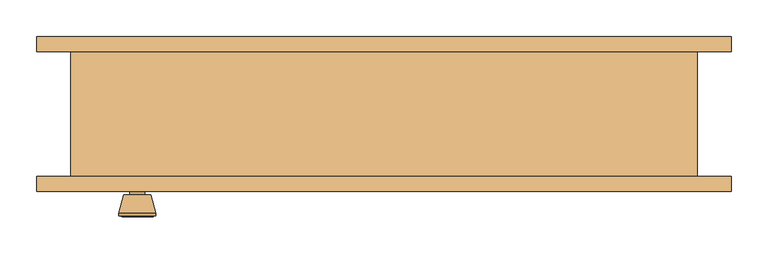
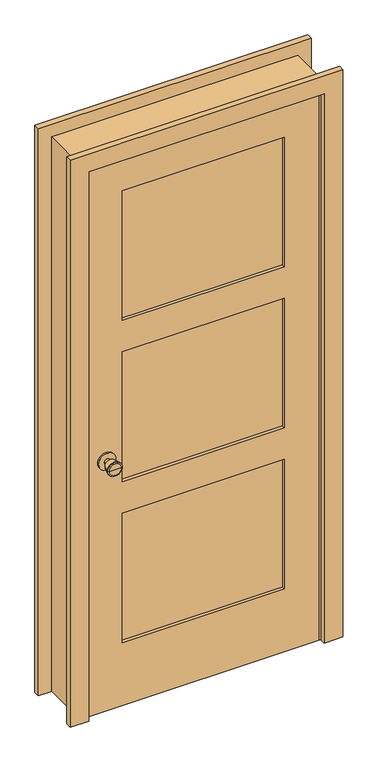
"""IFC4 building model written with IfcOpenShell, lengths in millimetres: door geometry."""

from ifc_helpers import new_model, si_unit, point, frame, frame_2d, origin, place, context, project, spatial, polyline, circle_curve, trimmed, segment, composite_curve, outline, extrude, faceted_brep, source, transform, mapped, element, save
from ifc_brep_helpers import plane_surface, cylinder_surface, revolved_surface, advanced_brep


def door_1098f3ea(model_context):
    return source(origin(), model_context, "Body", "SolidModel", [
        advanced_brep(
        [(-335.0, -40.825, 914.4), (-345.0, -40.825, 914.4), (-325.0, -40.825, 914.4), (-314.5241324, 8.175, 914.4), (-355.4758676, 8.175, 914.4), (-335.0, 8.175, 914.4), (-310.0, 6.3471319, 914.4), (-360.0, 6.3471319, 914.4), (-310.0, 2.8834537, 914.4), (-360.0, 2.8834537, 914.4), (-316.363764, -21.825, 914.4), (-353.636236, -21.825, 914.4), (-325.0, -21.825, 914.4), (-345.0, -21.825, 914.4)],
        [
            (0, 1),
            (1, 2, circle_curve(frame((-335.0, -40.825, 914.4), z_axis=(0.0, -1.0, 0.0), x_axis=(-1.0, 0.0, 0.0)), 10.0)),
            (2, 0),
            (2, 1, circle_curve(frame((-335.0, -40.825, 914.4), z_axis=(0.0, -1.0, 0.0), x_axis=(-1.0, 0.0, 0.0)), 10.0)),
            (3, 4, circle_curve(frame((-335.0, 8.175, 914.4), z_axis=(0.0, 1.0, 0.0), x_axis=(-1.0, 0.0, 0.0)), 20.4758676)),
            (4, 5),
            (5, 3),
            (4, 3, circle_curve(frame((-335.0, 8.175, 914.4), z_axis=(0.0, 1.0, 0.0), x_axis=(-1.0, 0.0, 0.0)), 20.4758676)),
            (6, 7, circle_curve(frame((-335.0, 6.3471319, 914.4), z_axis=(0.0, 1.0, 0.0), x_axis=(-1.0, 0.0, 0.0)), 25.0)),
            (7, 4),
            (3, 6),
            (7, 6, circle_curve(frame((-335.0, 6.3471319, 914.4), z_axis=(0.0, 1.0, 0.0), x_axis=(-1.0, 0.0, 0.0)), 25.0)),
            (8, 9, circle_curve(frame((-335.0, 2.8834537, 914.4), z_axis=(0.0, 1.0, 0.0), x_axis=(-1.0, 0.0, 0.0)), 25.0)),
            (9, 7),
            (6, 8),
            (9, 8, circle_curve(frame((-335.0, 2.8834537, 914.4), z_axis=(0.0, 1.0, 0.0), x_axis=(-1.0, 0.0, 0.0)), 25.0)),
            (10, 11, circle_curve(frame((-335.0, -21.825, 914.4), z_axis=(0.0, 1.0, 0.0), x_axis=(-1.0, 0.0, 0.0)), 18.636236)),
            (11, 9),
            (8, 10),
            (11, 10, circle_curve(frame((-335.0, -21.825, 914.4), z_axis=(0.0, 1.0, 0.0), x_axis=(-1.0, 0.0, 0.0)), 18.636236)),
            (12, 13, circle_curve(frame((-335.0, -21.825, 914.4), z_axis=(0.0, 1.0, 0.0), x_axis=(-1.0, 0.0, 0.0)), 10.0)),
            (13, 11),
            (10, 12),
            (13, 12, circle_curve(frame((-335.0, -21.825, 914.4), z_axis=(0.0, 1.0, 0.0), x_axis=(-1.0, 0.0, 0.0)), 10.0)),
            (1, 13),
            (12, 2),
        ],
        [
            plane_surface(frame((-335.0, -40.825, 914.4), z_axis=(0.0, -1.0, 0.0), x_axis=(-1.0, 0.0, 0.0))),
            plane_surface(frame((-335.0, 8.175, 914.4), z_axis=(0.0, 1.0, 0.0), x_axis=(-1.0, 0.0, 0.0))),
            revolved_surface(polyline([(-355.4758676, 8.175, 914.4), (-360.0, 6.3471319, 914.4)]), (-335.0, -40.825, 914.4), (0.0, -1.0, 0.0)),
            cylinder_surface(frame((-335.0, -40.825, 914.4), z_axis=(0.0, -1.0, 0.0), x_axis=(-1.0, 0.0, 0.0)), 25.0),
            revolved_surface(polyline([(-360.0, 2.8834537, 914.4), (-353.636236, -21.825, 914.4)]), (-335.0, -40.825, 914.4), (0.0, -1.0, 0.0)),
            plane_surface(frame((-335.0, -21.825, 914.4), z_axis=(0.0, -1.0, 0.0), x_axis=(-1.0, 0.0, 0.0))),
            cylinder_surface(frame((-335.0, -40.825, 914.4), z_axis=(0.0, -1.0, 0.0), x_axis=(-1.0, 0.0, 0.0)), 10.0),
        ],
        [
            (0, [[1, 2, 3]]),
            (0, [[-3, 4, -1]]),
            (1, [[5, 6, 7]]),
            (1, [[8, -7, -6]]),
            (2, [[9, 10, -5, 11]]),
            (2, [[12, -11, -8, -10]]),
            (3, [[13, 14, -9, 15]]),
            (3, [[16, -15, -12, -14]]),
            (4, [[17, 18, -13, 19]]),
            (4, [[20, -19, -16, -18]]),
            (5, [[21, 22, -17, 23]]),
            (5, [[24, -23, -20, -22]]),
            (6, [[-2, 25, -21, 26]]),
            (6, [[-4, -26, -24, -25]]),
        ],
    ),
        extrude(outline(composite_curve([segment(trimmed(circle_curve(frame_2d((914.4, -335.0)), 30.0), [point((914.4, -365.0))], [point((914.4, -305.0))], False, "CARTESIAN"), True, "CONTINUOUS"), segment(trimmed(circle_curve(frame_2d((914.4, -335.0)), 30.0), [point((914.4, -305.0))], [point((914.4, -365.0))], False, "CARTESIAN"), True, "CONTINUOUS")], self_intersect=False)), frame((0.0, -46.825, 0.0), z_axis=(0.0, 1.0, 0.0), x_axis=(0.0, 0.0, 1.0)), (0.0, 0.0, 1.0), 6.0),
        advanced_brep(
        [(-335.0, -87.825, 914.4), (-325.0, -87.825, 914.4), (-345.0, -87.825, 914.4), (-314.5241324, -136.825, 914.4), (-335.0, -136.825, 914.4), (-355.4758676, -136.825, 914.4), (-310.0, -134.9971319, 914.4), (-360.0, -134.9971319, 914.4), (-310.0, -131.5334537, 914.4), (-360.0, -131.5334537, 914.4), (-316.363764, -106.825, 914.4), (-353.636236, -106.825, 914.4), (-325.0, -106.825, 914.4), (-345.0, -106.825, 914.4)],
        [
            (0, 1),
            (1, 2, circle_curve(frame((-335.0, -87.825, 914.4), z_axis=(0.0, 1.0, 0.0), x_axis=(-1.0, 0.0, 0.0)), 10.0)),
            (2, 0),
            (2, 1, circle_curve(frame((-335.0, -87.825, 914.4), z_axis=(0.0, 1.0, 0.0), x_axis=(-1.0, 0.0, 0.0)), 10.0)),
            (3, 4),
            (4, 5),
            (5, 3, circle_curve(frame((-335.0, -136.825, 914.4), z_axis=(0.0, -1.0, 0.0), x_axis=(-1.0, 0.0, 0.0)), 20.4758676)),
            (3, 5, circle_curve(frame((-335.0, -136.825, 914.4), z_axis=(0.0, -1.0, 0.0), x_axis=(-1.0, 0.0, 0.0)), 20.4758676)),
            (6, 3),
            (5, 7),
            (7, 6, circle_curve(frame((-335.0, -134.9971319, 914.4), z_axis=(0.0, -1.0, 0.0), x_axis=(-1.0, 0.0, 0.0)), 25.0)),
            (6, 7, circle_curve(frame((-335.0, -134.9971319, 914.4), z_axis=(0.0, -1.0, 0.0), x_axis=(-1.0, 0.0, 0.0)), 25.0)),
            (8, 6),
            (7, 9),
            (9, 8, circle_curve(frame((-335.0, -131.5334537, 914.4), z_axis=(0.0, -1.0, 0.0), x_axis=(-1.0, 0.0, 0.0)), 25.0)),
            (8, 9, circle_curve(frame((-335.0, -131.5334537, 914.4), z_axis=(0.0, -1.0, 0.0), x_axis=(-1.0, 0.0, 0.0)), 25.0)),
            (10, 8),
            (9, 11),
            (11, 10, circle_curve(frame((-335.0, -106.825, 914.4), z_axis=(0.0, -1.0, 0.0), x_axis=(-1.0, 0.0, 0.0)), 18.636236)),
            (10, 11, circle_curve(frame((-335.0, -106.825, 914.4), z_axis=(0.0, -1.0, 0.0), x_axis=(-1.0, 0.0, 0.0)), 18.636236)),
            (12, 10),
            (11, 13),
            (13, 12, circle_curve(frame((-335.0, -106.825, 914.4), z_axis=(0.0, -1.0, 0.0), x_axis=(-1.0, 0.0, 0.0)), 10.0)),
            (12, 13, circle_curve(frame((-335.0, -106.825, 914.4), z_axis=(0.0, -1.0, 0.0), x_axis=(-1.0, 0.0, 0.0)), 10.0)),
            (1, 12),
            (13, 2),
        ],
        [
            plane_surface(frame((-335.0, -87.825, 914.4), z_axis=(0.0, 1.0, 0.0), x_axis=(-1.0, 0.0, 0.0))),
            plane_surface(frame((-335.0, -136.825, 914.4), z_axis=(0.0, -1.0, 0.0), x_axis=(-1.0, 0.0, 0.0))),
            revolved_surface(polyline([(-355.4758676, -136.825, 914.4), (-360.0, -134.9971319, 914.4)]), (-335.0, -87.825, 914.4), (0.0, 1.0, 0.0)),
            cylinder_surface(frame((-335.0, -87.825, 914.4), z_axis=(0.0, 1.0, 0.0), x_axis=(-1.0, 0.0, 0.0)), 25.0),
            revolved_surface(polyline([(-360.0, -131.5334537, 914.4), (-353.636236, -106.825, 914.4)]), (-335.0, -87.825, 914.4), (0.0, 1.0, 0.0)),
            plane_surface(frame((-335.0, -106.825, 914.4), z_axis=(0.0, 1.0, 0.0), x_axis=(-1.0, 0.0, 0.0))),
            cylinder_surface(frame((-335.0, -87.825, 914.4), z_axis=(0.0, 1.0, 0.0), x_axis=(-1.0, 0.0, 0.0)), 10.0),
        ],
        [
            (0, [[1, 2, 3]]),
            (0, [[-3, 4, -1]]),
            (1, [[5, 6, 7]]),
            (1, [[-6, -5, 8]]),
            (2, [[9, -7, 10, 11]]),
            (2, [[-10, -8, -9, 12]]),
            (3, [[13, -11, 14, 15]]),
            (3, [[-14, -12, -13, 16]]),
            (4, [[17, -15, 18, 19]]),
            (4, [[-18, -16, -17, 20]]),
            (5, [[21, -19, 22, 23]]),
            (5, [[-22, -20, -21, 24]]),
            (6, [[25, -23, 26, -2]]),
            (6, [[-26, -24, -25, -4]]),
        ],
    ),
        extrude(outline(composite_curve([segment(trimmed(circle_curve(frame_2d((914.4, -335.0)), 30.0), [point((914.4, -365.0))], [point((914.4, -305.0))], False, "CARTESIAN"), True, "CONTINUOUS"), segment(trimmed(circle_curve(frame_2d((914.4, -335.0)), 30.0), [point((914.4, -305.0))], [point((914.4, -365.0))], False, "CARTESIAN"), True, "CONTINUOUS")], self_intersect=False)), frame((0.0, -87.825, 0.0), z_axis=(0.0, 1.0, 0.0), x_axis=(0.0, 0.0, 1.0)), (0.0, 0.0, 1.0), 6.0),
        extrude(outline(polyline([(280.0, -58.4916667), (280.0, -70.1583333), (-280.0, -70.1583333), (-280.0, -58.4916667), (280.0, -58.4916667)])), frame((0.0, 0.0, 1406.6666667), z_axis=(0.0, 0.0, 1.0), x_axis=(1.0, 0.0, 0.0)), (0.0, 0.0, 1.0), 473.3333333),
        extrude(outline(polyline([(280.0, -58.4916667), (280.0, -70.1583333), (-280.0, -70.1583333), (-280.0, -58.4916667), (280.0, -58.4916667)])), frame((0.0, 0.0, 230.0), z_axis=(0.0, 0.0, 1.0), x_axis=(1.0, 0.0, 0.0)), (0.0, 0.0, 1.0), 473.3333333),
        extrude(outline(polyline([(280.0, -58.4916667), (280.0, -70.1583333), (-280.0, -70.1583333), (-280.0, -58.4916667), (280.0, -58.4916667)])), frame((0.0, 0.0, 818.3333333), z_axis=(0.0, 0.0, 1.0), x_axis=(1.0, 0.0, 0.0)), (0.0, 0.0, 1.0), 473.3333333),
        extrude(outline(polyline([(2000.0, -400.0), (0.0, -400.0), (0.0, 400.0), (2000.0, 400.0), (2000.0, -400.0)]), holes=[polyline([(1880.0, -280.0), (1880.0, 280.0), (1406.6666667, 280.0), (1406.6666667, -280.0), (1880.0, -280.0)]), polyline([(703.3333333, -280.0), (703.3333333, 280.0), (230.0, 280.0), (230.0, -280.0), (703.3333333, -280.0)]), polyline([(1291.6666667, -280.0), (1291.6666667, 280.0), (818.3333333, 280.0), (818.3333333, -280.0), (1291.6666667, -280.0)])]), frame((0.0, -81.825, 0.0), z_axis=(0.0, 1.0, 0.0), x_axis=(0.0, 0.0, 1.0)), (0.0, 0.0, 1.0), 35.0),
        faceted_brep([(425.0, -81.825, 0.0), (400.0, -81.825, 0.0), (400.0, -46.825, 0.0), (387.3, -46.825, 0.0), (387.3, -11.9, 0.0), (400.0, -11.9, 0.0), (400.0, 88.175, 0.0), (425.0, 88.175, 0.0), (425.0, 88.175, 2025.0), (425.0, -81.825, 2025.0), (400.0, 88.175, 2000.0), (-400.0, 88.175, 2000.0), (-400.0, 88.175, 0.0), (-425.0, 88.175, 0.0), (-425.0, 88.175, 2025.0), (400.0, -11.9, 2000.0), (387.3, -11.9, 1987.3), (-387.3, -11.9, 1987.3), (-387.3, -11.9, 0.0), (-400.0, -11.9, 0.0), (-400.0, -11.9, 2000.0), (387.3, -46.825, 1987.3), (400.0, -46.825, 2000.0), (-400.0, -46.825, 2000.0), (-400.0, -46.825, 0.0), (-387.3, -46.825, 0.0), (-387.3, -46.825, 1987.3), (400.0, -81.825, 2000.0), (-425.0, -81.825, 2025.0), (-425.0, -81.825, 0.0), (-400.0, -81.825, 0.0), (-400.0, -81.825, 2000.0)], [[[0, 1, 2, 3, 4, 5, 6, 7]], [[7, 8, 9, 0]], [[6, 10, 11, 12, 13, 14, 8, 7]], [[5, 15, 10, 6]], [[4, 16, 17, 18, 19, 20, 15, 5]], [[3, 21, 16, 4]], [[2, 22, 23, 24, 25, 26, 21, 3]], [[1, 27, 22, 2]], [[0, 9, 28, 29, 30, 31, 27, 1]], [[8, 14, 28, 9]], [[15, 20, 11, 10]], [[21, 26, 17, 16]], [[27, 31, 23, 22]], [[29, 13, 12, 19, 18, 25, 24, 30]], [[14, 13, 29, 28]], [[20, 19, 12, 11]], [[26, 25, 18, 17]], [[31, 30, 24, 23]]]),
        extrude(outline(polyline([(0.0, 471.35), (2071.35, 471.35), (2071.35, -471.35), (0.0, -471.35), (0.0, -406.35), (2006.35, -406.35), (2006.35, 406.35), (0.0, 406.35), (0.0, 471.35)])), frame((0.0, 88.175, 0.0), z_axis=(0.0, 1.0, 0.0), x_axis=(0.0, 0.0, 1.0)), (0.0, 0.0, 1.0), 20.0),
        extrude(outline(polyline([(0.0, 471.35), (2071.35, 471.35), (2071.35, -471.35), (0.0, -471.35), (0.0, -406.35), (2006.35, -406.35), (2006.35, 406.35), (0.0, 406.35), (0.0, 471.35)])), frame((0.0, -101.825, 0.0), z_axis=(0.0, 1.0, 0.0), x_axis=(0.0, 0.0, 1.0)), (0.0, 0.0, 1.0), 20.0),
    ])


if __name__ == "__main__":
    model = new_model("IFC4")
    model_context = context("Model", 3, world=origin())
    ifc_project = project(units=[si_unit("LENGTHUNIT", "METRE", prefix="MILLI")], contexts=[model_context])
    site = spatial("IfcSite", under=ifc_project)
    building = spatial("IfcBuilding", under=site)
    placement = place(None, origin())
    door_shape = door_1098f3ea(model_context)
    element("IfcDoor", 1, at=placement, inside=building, context=model_context, shape_type="MappedRepresentation", body=[
        mapped(door_shape, transform((0.0, 0.0, 0.0), x_axis=(1.0, 0.0, 0.0), y_axis=(0.0, 1.0, 0.0), z_axis=(0.0, 0.0, 1.0))),
    ])
    save(model, "model.ifc")
